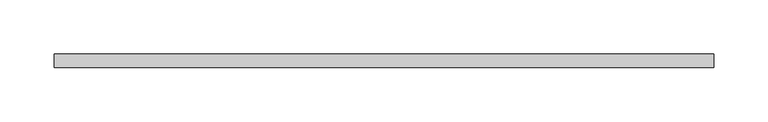
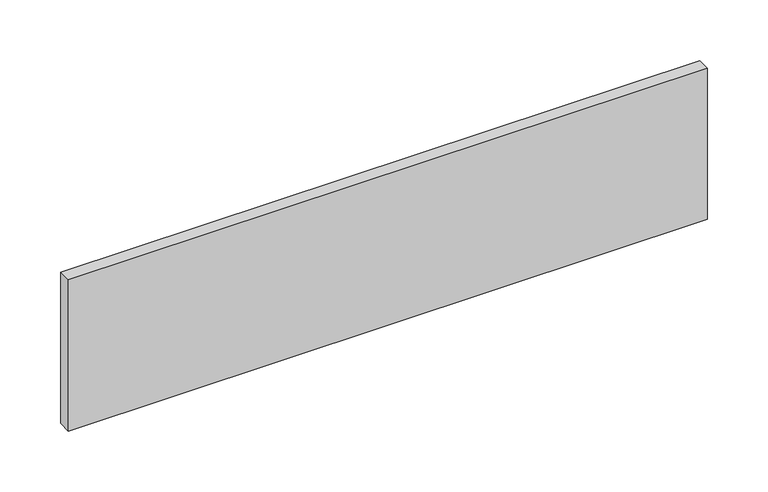
"""IFC4 building model written with IfcOpenShell, lengths in millimetres: proxy geometry."""

import ifcopenshell
import ifcopenshell.guid

model = None  # the IFC model being written
_history = None  # IfcOwnerHistory: only IFC2X3 demands one
_inside = {}  # id of a spatial element -> (the spatial element, [elements in it])
_under = {}  # id of a project, library or spatial element -> (it, [spatial elements below it])
_declared = {}  # id of a project -> (the project, [libraries it declares])
_typed = {}  # id of a type object -> (the type object, [elements of that type])
_made_of = {}  # id of a material, layer set ... -> (it, [elements and type objects made of it])


def new_model(schema):
    """Start an empty IFC model of exactly this schema.

    Asked for "IFC4X3", IfcOpenShell would pick the latest addendum, in which some entities
    have other attributes; the version numbers below select the first issue.
    IFC2X3 requires an IfcOwnerHistory on every rooted entity: one is made here for all.
    """
    global model, _history
    if schema == "IFC4X3":
        model = ifcopenshell.file(schema_version=(4, 3, 0, 0))
    else:
        model = ifcopenshell.file(schema=schema)
    _inside.clear()
    _under.clear()
    _declared.clear()
    _typed.clear()
    _made_of.clear()
    _history = None
    if model.schema == "IFC2X3":
        org = make("IfcOrganization", Name="unknown")
        user = make(
            "IfcPersonAndOrganization",
            ThePerson=make("IfcPerson", FamilyName="unknown"),
            TheOrganization=org,
        )
        app = make(
            "IfcApplication",
            ApplicationDeveloper=org,
            Version="unknown",
            ApplicationFullName="unknown",
            ApplicationIdentifier="unknown",
        )
        _history = make(
            "IfcOwnerHistory",
            OwningUser=user,
            OwningApplication=app,
            ChangeAction="ADDED",
            CreationDate=0,
        )
    return model


def make(cls, **values):
    """One entity of the class cls with the attributes given. An attribute that is None is left unset."""
    return model.create_entity(
        cls, **{name: value for name, value in values.items() if value is not None}
    )


def rooted(cls, **values):
    """An entity with a GlobalId (a new one), such as an element, a storey or a relation."""
    return make(cls, GlobalId=ifcopenshell.guid.new(), OwnerHistory=_history, **values)


def si_unit(unit_type, name, prefix=None):
    """IfcSIUnit, for example si_unit("LENGTHUNIT", "METRE", prefix="MILLI")."""
    return make("IfcSIUnit", UnitType=unit_type, Prefix=prefix, Name=name)


def assignment(units):
    """IfcUnitAssignment: the units of a project."""
    return None if units is None else make("IfcUnitAssignment", Units=units)


def point(xyz):
    """IfcCartesianPoint."""
    return None if xyz is None else make("IfcCartesianPoint", Coordinates=xyz)


def direction(xyz):
    """IfcDirection."""
    return None if xyz is None else make("IfcDirection", DirectionRatios=xyz)


def frame(location, z_axis=None, x_axis=None):
    """IfcAxis2Placement3D, a coordinate frame: its origin and axes. An axis left out is left unset."""
    return make(
        "IfcAxis2Placement3D",
        Location=point(location),
        Axis=direction(z_axis),
        RefDirection=direction(x_axis),
    )


def origin():
    """The frame at (0, 0, 0) with its axes left unset."""
    return frame((0.0, 0.0, 0.0))


def place(relative_to, where):
    """IfcLocalPlacement: puts the frame where relative to a parent placement (None: the world)."""
    return make(
        "IfcLocalPlacement", PlacementRelTo=relative_to, RelativePlacement=where
    )


def context(
    kind, dimensions, precision=None, world=None, true_north=None, identifier=None
):
    """IfcGeometricRepresentationContext, for example the 3D "Model" context."""
    return make(
        "IfcGeometricRepresentationContext",
        ContextIdentifier=identifier,
        ContextType=kind,
        CoordinateSpaceDimension=dimensions,
        Precision=precision,
        WorldCoordinateSystem=world,
        TrueNorth=true_north,
    )


def project(units=None, contexts=None):
    """IfcProject with its units and contexts."""
    return rooted(
        "IfcProject",
        Name="project",
        RepresentationContexts=contexts,
        UnitsInContext=assignment(units),
    )


def spatial(cls, under=None, at=None, **own):
    """A site, building, storey or space (cls), placed at a placement, below another one or the project."""
    s = rooted(cls, ObjectPlacement=at, **own)
    if under is not None:
        _under.setdefault(under.id(), (under, []))[1].append(s)
    return s


def polyline(points):
    """IfcPolyline through the points."""
    return make("IfcPolyline", Points=[point(p) for p in points])


def outline(outer, holes=None, kind="AREA"):
    """IfcArbitraryClosedProfileDef: a profile drawn as a closed curve; with holes, ...WithVoids."""
    if holes is None:
        return make("IfcArbitraryClosedProfileDef", ProfileType=kind, OuterCurve=outer)
    return make(
        "IfcArbitraryProfileDefWithVoids",
        ProfileType=kind,
        OuterCurve=outer,
        InnerCurves=holes,
    )


def extrude(swept, where, along, depth):
    """IfcExtrudedAreaSolid: the profile swept, set in the frame where, extruded along a direction by depth."""
    return make(
        "IfcExtrudedAreaSolid",
        SweptArea=swept,
        Position=where,
        ExtrudedDirection=direction(along),
        Depth=depth,
    )


def shape(context_of_items, identifier, shape_type, items):
    """IfcShapeRepresentation: the items that make up one representation, for example the "Body"."""
    return make(
        "IfcShapeRepresentation",
        ContextOfItems=context_of_items,
        RepresentationIdentifier=identifier,
        RepresentationType=shape_type,
        Items=items,
    )


def source(mapping_origin, context_of_items, identifier, shape_type, items):
    """IfcRepresentationMap: a shape defined once, which mapped items show again and again."""
    return make(
        "IfcRepresentationMap",
        MappingOrigin=mapping_origin,
        MappedRepresentation=shape(context_of_items, identifier, shape_type, items),
    )


def transform(
    local_origin,
    x_axis=None,
    y_axis=None,
    z_axis=None,
    scale=None,
    scale2=None,
    scale3=None,
    uniform=True,
):
    """IfcCartesianTransformationOperator3D, or its non-uniform kind. x_axis, y_axis, z_axis: its Axis1, 2, 3."""
    if uniform:
        return make(
            "IfcCartesianTransformationOperator3D",
            Axis1=direction(x_axis),
            Axis2=direction(y_axis),
            LocalOrigin=point(local_origin),
            Scale=scale,
            Axis3=direction(z_axis),
        )
    return make(
        "IfcCartesianTransformationOperator3DnonUniform",
        Axis1=direction(x_axis),
        Axis2=direction(y_axis),
        LocalOrigin=point(local_origin),
        Scale=scale,
        Axis3=direction(z_axis),
        Scale2=scale2,
        Scale3=scale3,
    )


def mapped(mapping_source, mapping_target):
    """IfcMappedItem: shows the shape of a source again, moved by a transform."""
    return make(
        "IfcMappedItem", MappingSource=mapping_source, MappingTarget=mapping_target
    )


def made_of(thing, what):
    """Note that an element or type object is made of a material, layer set ...; save() writes the relation."""
    if what is not None:
        _made_of.setdefault(what.id(), (what, []))[1].append(thing)
    return thing


def element(
    cls,
    number,
    at=None,
    inside=None,
    cuts=None,
    type_object=None,
    material=None,
    context=None,
    identifier="Body",
    shape_type=None,
    held_by="IfcProductDefinitionShape",
    body=None,
    shapes=None,
    **own,
):
    """One element of the class cls, such as IfcWall. Its Tag is "e" and its number.

    at: its placement. inside: the storey or other place that contains it. cuts: it is an
    opening in that element (IfcRelVoidsElement). A single representation is given by context,
    identifier, shape_type and body (its items); several are given by shapes. held_by: the class
    of the entity that holds the representations. save() writes the other relations.
    """
    e = rooted(cls, Tag="e%d" % number, ObjectPlacement=at, **own)
    if body is not None:
        shapes = [shape(context, identifier, shape_type, body)]
    if shapes is not None:
        e.Representation = make(held_by, Representations=shapes)
    if inside is not None:
        _inside.setdefault(inside.id(), (inside, []))[1].append(e)
    if cuts is not None:
        rooted(
            "IfcRelVoidsElement", RelatingBuildingElement=cuts, RelatedOpeningElement=e
        )
    if type_object is not None:
        _typed.setdefault(type_object.id(), (type_object, []))[1].append(e)
    return made_of(e, material)


def aggregate(whole, parts):
    """IfcRelAggregates: a whole, such as a stair, and the parts it consists of."""
    return rooted("IfcRelAggregates", RelatingObject=whole, RelatedObjects=parts)


def save(model, path):
    """Write the relations noted so far, then the file.

    IfcRelAggregates (storeys below a building ...), IfcRelContainedInSpatialStructure (elements
    in a storey), IfcRelDefinesByType, IfcRelAssociatesMaterial and IfcRelDeclares: one each for
    every whole, place, type object, material and project.
    """
    for whole, parts in _under.values():
        aggregate(whole, parts)
    for where, things in _inside.values():
        rooted(
            "IfcRelContainedInSpatialStructure",
            RelatedElements=things,
            RelatingStructure=where,
        )
    for kind, things in _typed.values():
        rooted("IfcRelDefinesByType", RelatedObjects=things, RelatingType=kind)
    for what, things in _made_of.values():
        rooted("IfcRelAssociatesMaterial", RelatedObjects=things, RelatingMaterial=what)
    for by, libraries in _declared.values():
        rooted("IfcRelDeclares", RelatingContext=by, RelatedDefinitions=libraries)
    model.write(path)


def generic_models_570be5c6(model_context):
    return source(origin(), model_context, "Body", "SweptSolid", [
        extrude(outline(polyline([(-12557.2323603, 1094.0251285), (-13166.7130443, 1094.0251285), (-13166.7130443, 1106.7251285), (-12557.2323603, 1106.7251285), (-12557.2323603, 1094.0251285)])), frame((0.0, 0.0, 914.4), z_axis=(0.0, 0.0, 1.0), x_axis=(1.0, 0.0, 0.0)), (0.0, 0.0, 1.0), 152.4),
    ])


if __name__ == "__main__":
    model = new_model("IFC4")
    model_context = context("Model", 3, world=origin())
    ifc_project = project(units=[si_unit("LENGTHUNIT", "METRE", prefix="MILLI")], contexts=[model_context])
    site = spatial("IfcSite", under=ifc_project)
    building = spatial("IfcBuilding", under=site)
    placement = place(None, origin())
    generic_models_shape = generic_models_570be5c6(model_context)
    element("IfcBuildingElementProxy", 1, Name="Generic Models", at=placement, inside=building, context=model_context, shape_type="MappedRepresentation", body=[
        mapped(generic_models_shape, transform((0.0, 0.0, 0.0), x_axis=(1.0, 0.0, 0.0), y_axis=(0.0, 1.0, 0.0), z_axis=(0.0, 0.0, 1.0))),
    ])
    save(model, "model.ifc")
